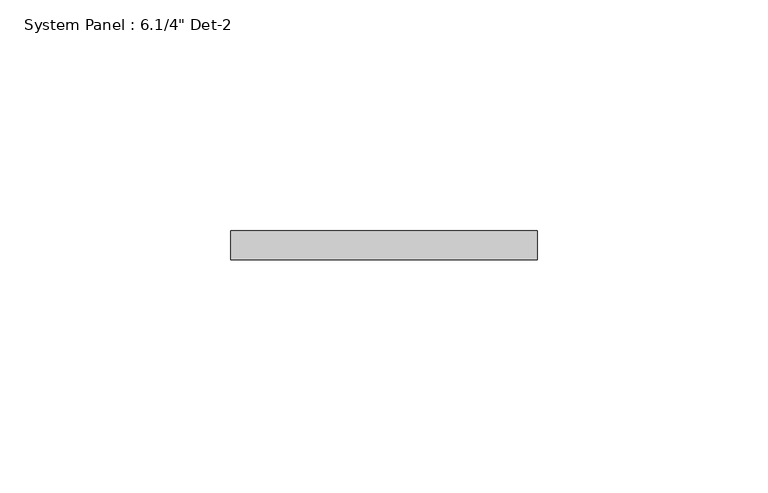
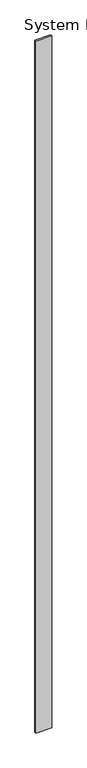
"""IFC4 building model written with IfcOpenShell, lengths in millimetres: plate geometry."""

from ifc_helpers import new_model, si_unit, origin, origin_with_axes, place, context, project, spatial, polyline, outline, extrude, source, transform, mapped, element, save


def plate_86fa17fb(model_context):
    return source(origin(), model_context, "Body", "SweptSolid", [
        extrude(outline(polyline([(33.2583397, -6.35), (-33.2583397, -6.35), (-33.2583397, 0.0), (33.2583397, 0.0), (33.2583397, -6.35)])), origin_with_axes(), (0.0, 0.0, 1.0), 3048.0),
    ])


if __name__ == "__main__":
    model = new_model("IFC4")
    model_context = context("Model", 3, world=origin())
    ifc_project = project(units=[si_unit("LENGTHUNIT", "METRE", prefix="MILLI")], contexts=[model_context])
    site = spatial("IfcSite", under=ifc_project)
    building = spatial("IfcBuilding", under=site)
    placement = place(None, origin())
    plate_shape = plate_86fa17fb(model_context)
    element("IfcPlate", 1, ObjectType="System Panel : 6.1/4\" Det-2", at=placement, inside=building, context=model_context, shape_type="MappedRepresentation", body=[
        mapped(plate_shape, transform((0.0, 0.0, 0.0), x_axis=(1.0, 0.0, 0.0), y_axis=(0.0, 1.0, 0.0), z_axis=(0.0, 0.0, 1.0))),
    ])
    save(model, "model.ifc")
